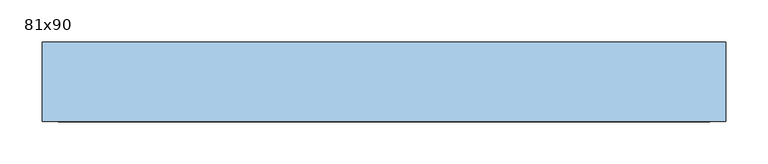
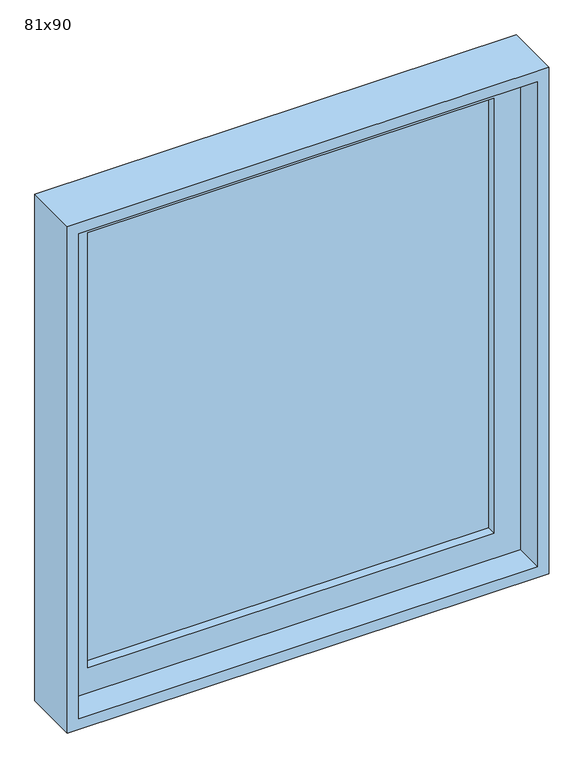
"""IFC4 building model written with IfcOpenShell, lengths in millimetres: window geometry, 81x90."""

from ifc_helpers import new_model, si_unit, frame, origin, place, context, project, spatial, polyline, outline, extrude, source, transform, mapped, element, save


def window_81x90_1a9b8b90(model_context):
    return source(origin(), model_context, "Body", "SweptSolid", [
        extrude(outline(polyline([(303.4, -71.425), (303.4, -84.125), (-379.6, -84.125), (-379.6, -71.425), (303.4, -71.425)])), frame((0.0, 0.0, 977.9), z_axis=(0.0, 0.0, 1.0), x_axis=(1.0, 0.0, 0.0)), (0.0, 0.0, 1.0), 773.0),
        extrude(outline(polyline([(1795.35, -424.05), (933.45, -424.05), (933.45, 347.85), (1795.35, 347.85), (1795.35, -424.05)]), holes=[polyline([(1750.9, -379.6), (1750.9, 303.4), (977.9, 303.4), (977.9, -379.6), (1750.9, -379.6)])]), frame((0.0, -100.0, 0.0), z_axis=(0.0, 1.0, 0.0), x_axis=(0.0, 0.0, 1.0)), (0.0, 0.0, 1.0), 44.45),
        extrude(outline(polyline([(1814.4, 366.9), (1814.4, -443.1), (914.4, -443.1), (914.4, 366.9), (1814.4, 366.9)]), holes=[polyline([(1795.35, 347.85), (933.45, 347.85), (933.45, -424.05), (1795.35, -424.05), (1795.35, 347.85)])]), frame((0.0, -150.0, 0.0), z_axis=(0.0, 1.0, 0.0), x_axis=(0.0, 0.0, 1.0)), (0.0, 0.0, 1.0), 94.45),
    ])


if __name__ == "__main__":
    model = new_model("IFC4")
    model_context = context("Model", 3, world=origin())
    ifc_project = project(units=[si_unit("LENGTHUNIT", "METRE", prefix="MILLI")], contexts=[model_context])
    site = spatial("IfcSite", under=ifc_project)
    building = spatial("IfcBuilding", under=site)
    placement = place(None, origin())
    window_81x90_shape = window_81x90_1a9b8b90(model_context)
    element("IfcWindow", 1, ObjectType="81x90", at=placement, inside=building, context=model_context, shape_type="MappedRepresentation", body=[
        mapped(window_81x90_shape, transform((0.0, 0.0, 0.0), x_axis=(1.0, 0.0, 0.0), y_axis=(0.0, 1.0, 0.0), z_axis=(0.0, 0.0, 1.0))),
    ])
    save(model, "model.ifc")
